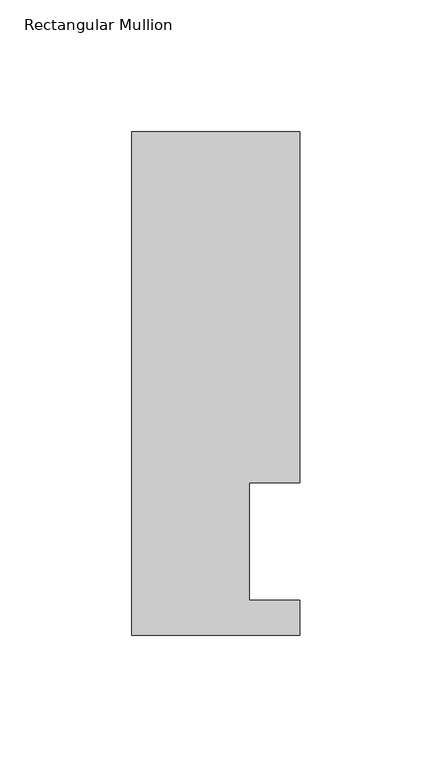
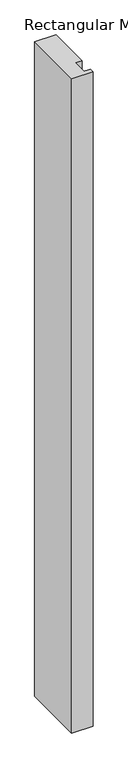
"""IFC4 building model written with IfcOpenShell, lengths in millimetres: member geometry, Rectangular Mullion."""

from ifc_helpers import new_model, si_unit, frame, origin, place, context, project, spatial, polyline, outline, extrude, source, transform, mapped, element, save


def rectangular_mullion_6566a4cd(model_context):
    return source(origin(), model_context, "Body", "SweptSolid", [
        extrude(outline(polyline([(31.75, 57.6460937), (12.7, 57.6460937), (12.7, 13.1960938), (31.75, 13.1960938), (31.75, 0.0134938), (-31.75, 0.0134938), (-31.75, 190.5896938), (31.75, 190.5896938), (31.75, 57.6460937)])), frame((0.0, 0.0, -2057.4), z_axis=(0.0, 0.0, 1.0), x_axis=(1.0, 0.0, 0.0)), (0.0, 0.0, 1.0), 2057.4),
    ])


if __name__ == "__main__":
    model = new_model("IFC4")
    model_context = context("Model", 3, world=origin())
    ifc_project = project(units=[si_unit("LENGTHUNIT", "METRE", prefix="MILLI")], contexts=[model_context])
    site = spatial("IfcSite", under=ifc_project)
    building = spatial("IfcBuilding", under=site)
    placement = place(None, origin())
    rectangular_mullion_shape = rectangular_mullion_6566a4cd(model_context)
    element("IfcMember", 1, ObjectType="Rectangular Mullion", at=placement, inside=building, context=model_context, shape_type="MappedRepresentation", body=[
        mapped(rectangular_mullion_shape, transform((0.0, 0.0, 0.0), x_axis=(1.0, 0.0, 0.0), y_axis=(0.0, 1.0, 0.0), z_axis=(0.0, 0.0, 1.0))),
    ])
    save(model, "model.ifc")
